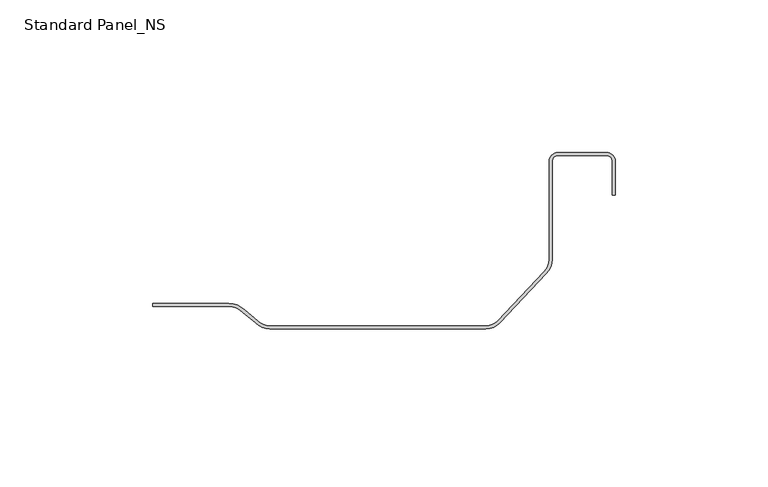
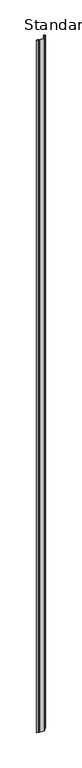
"""IFC4 building model written with IfcOpenShell, lengths in millimetres: proxy geometry, Standard Panel_NS."""

from ifc_helpers import new_model, si_unit, point, frame, frame_2d, origin, place, context, project, spatial, polyline, circle_curve, trimmed, segment, composite_curve, outline, extrude, source, transform, mapped, element, save


def standard_panel_ns_ceaa90c8(model_context):
    return source(origin(), model_context, "Body", "SweptSolid", [
        extrude(outline(composite_curve([segment(trimmed(circle_curve(frame_2d((81.7400742, 54.8581621)), 2.0), [point((83.7400742, 54.8581621))], [point((81.7400742, 56.8581621))], True, "CARTESIAN"), True, "CONTINUOUS"), segment(polyline([(81.7400742, 56.8581621), (65.9900742, 56.8581621)]), True, "CONTINUOUS"), segment(trimmed(circle_curve(frame_2d((65.9900742, 54.8581621)), 2.0), [point((65.9900742, 56.8581621))], [point((63.9900742, 54.8581621))], True, "CARTESIAN"), True, "CONTINUOUS"), segment(polyline([(63.9900742, 54.8581621), (63.9900742, 22.6923882)]), True, "CONTINUOUS"), segment(trimmed(circle_curve(frame_2d((57.4900742, 22.6923882)), 6.5), [point((63.9900742, 22.6923882))], [point((62.0862682, 18.0961941))], False, "CARTESIAN"), True, "CONTINUOUS"), segment(polyline([(62.0862682, 18.0961941), (46.8938801, 1.9038059)]), True, "CONTINUOUS"), segment(trimmed(circle_curve(frame_2d((42.297686, 6.5)), 6.5), [point((46.8938801, 1.9038059))], [point((42.297686, 0.0))], False, "CARTESIAN"), True, "CONTINUOUS"), segment(polyline([(42.297686, 0.0), (-28.6251495, 0.0)]), True, "CONTINUOUS"), segment(trimmed(circle_curve(frame_2d((-28.6251495, 6.5)), 6.5), [point((-28.6251495, 0.0))], [point((-33.2213436, 1.9038059))], False, "CARTESIAN"), True, "CONTINUOUS"), segment(polyline([(-33.2213436, 1.9038059), (-37.4137318, 5.3961941)]), True, "CONTINUOUS"), segment(trimmed(circle_curve(frame_2d((-42.0099258, 0.8)), 6.5), [point((-37.4137318, 5.3961941))], [point((-42.0099258, 7.3))], True, "CARTESIAN"), True, "CONTINUOUS"), segment(polyline([(-42.0099258, 7.3), (-66.9900742, 7.3), (-66.9900742, 8.3), (-42.0099258, 8.3)]), True, "CONTINUOUS"), segment(trimmed(circle_curve(frame_2d((-42.0099258, 0.8)), 7.5), [point((-42.0099258, 8.3))], [point((-36.7400145, 6.1364815))], False, "CARTESIAN"), True, "CONTINUOUS"), segment(polyline([(-36.7400145, 6.1364815), (-32.5449143, 2.6418341)]), True, "CONTINUOUS"), segment(trimmed(circle_curve(frame_2d((-28.6251495, 6.5)), 5.5), [point((-32.5449143, 2.6418341))], [point((-28.6251495, 1.0))], True, "CARTESIAN"), True, "CONTINUOUS"), segment(polyline([(-28.6251495, 1.0), (42.297686, 1.0)]), True, "CONTINUOUS"), segment(trimmed(circle_curve(frame_2d((42.297686, 6.5)), 5.5), [point((42.297686, 1.0))], [point((46.175966, 2.6001354))], True, "CARTESIAN"), True, "CONTINUOUS"), segment(polyline([(46.175966, 2.6001354), (61.3683542, 18.7925235)]), True, "CONTINUOUS"), segment(trimmed(circle_curve(frame_2d((57.4900742, 22.6923882)), 5.5), [point((61.3683542, 18.7925235))], [point((62.9900742, 22.6923882))], True, "CARTESIAN"), True, "CONTINUOUS"), segment(polyline([(62.9900742, 22.6923882), (62.9900742, 54.8581621)]), True, "CONTINUOUS"), segment(trimmed(circle_curve(frame_2d((65.9900742, 54.8581621)), 3.0), [point((62.9900742, 54.8581621))], [point((65.9900742, 57.8581621))], False, "CARTESIAN"), True, "CONTINUOUS"), segment(polyline([(65.9900742, 57.8581621), (81.7400742, 57.8581621)]), True, "CONTINUOUS"), segment(trimmed(circle_curve(frame_2d((81.7400742, 54.8581621)), 3.0), [point((81.7400742, 57.8581621))], [point((84.7400742, 54.8581621))], False, "CARTESIAN"), True, "CONTINUOUS"), segment(polyline([(84.7400742, 54.8581621), (84.7400742, 43.8581621), (83.7400742, 43.8581621), (83.7400742, 54.8581621)]), True, "CONTINUOUS")], self_intersect=False)), frame((0.0, 0.0, -250.0), z_axis=(0.0, 0.0, 1.0), x_axis=(1.0, 0.0, 0.0)), (0.0, 0.0, 1.0), 10753.00204),
    ])


if __name__ == "__main__":
    model = new_model("IFC4")
    model_context = context("Model", 3, world=origin())
    ifc_project = project(units=[si_unit("LENGTHUNIT", "METRE", prefix="MILLI")], contexts=[model_context])
    site = spatial("IfcSite", under=ifc_project)
    building = spatial("IfcBuilding", under=site)
    placement = place(None, origin())
    standard_panel_ns_shape = standard_panel_ns_ceaa90c8(model_context)
    element("IfcBuildingElementProxy", 1, Name="Standard Panel_NS", ObjectType="Standard Panel_NS", at=placement, inside=building, context=model_context, shape_type="MappedRepresentation", body=[
        mapped(standard_panel_ns_shape, transform((0.0, 0.0, 0.0), x_axis=(1.0, 0.0, 0.0), y_axis=(0.0, 1.0, 0.0), z_axis=(0.0, 0.0, 1.0))),
    ])
    save(model, "model.ifc")
